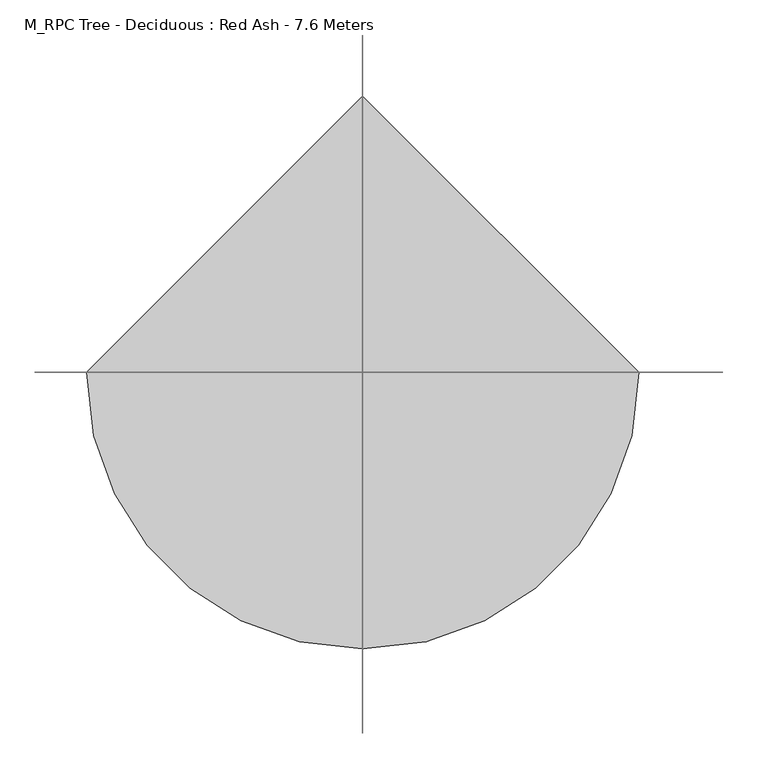
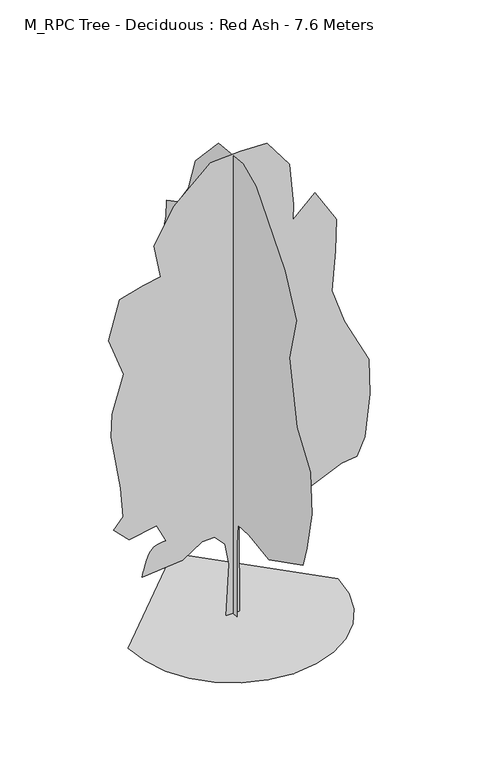
"""IFC4 building model written with IfcOpenShell, lengths in millimetres: geographic element geometry, M_RPC Tree - Deciduous : Red Ash - 7.6 Meters."""

from ifc_helpers import new_model, si_unit, origin, place, context, project, spatial, triangles, source, transform, mapped, element, save


def m_rpc_tree_deciduous_red_ash_7_6_meters_16c8020d(model_context):
    return source(origin(), model_context, "Body", "Tessellation", [
        triangles([(-1640.6350319, 0.0, 6.17e-05), (-1597.2618073, -375.9250554, 6.17e-05), (-1473.7362076, -721.1521299, 6.17e-05), (-1279.9481815, -1025.7899305, 6.17e-05), (-1025.7900759, -1279.9483269, 6.17e-05), (-721.1519119, -1473.7357716, 6.17e-05), (-375.9249101, -1597.2618073, 6.17e-05), (7.17e-05, -1640.6350319, 6.17e-05), (375.9250917, -1597.2619526, 6.17e-05), (721.1521299, -1473.7360622, 6.17e-05), (1025.7900759, -1279.9481815, 6.17e-05), (1279.9486176, -1025.7900759, 6.17e-05), (1473.7359169, -721.1518393, 6.17e-05), (1597.2618073, -375.9248011, 6.17e-05), (1640.6350319, 0.0001434, 6.17e-05), (-0.0002151, 1640.6350319, 6.17e-05), (-1.07e-05, -102.5763152, 0.0), (2.5e-05, -100.9809819, 1191.4187742), (3.22e-05, -129.5410573, 1533.7667004), (7e-07, -437.6736119, 1554.0757805), (-5.76e-05, -973.8285673, 1474.4268631), (-0.0001401, -1898.6961697, 1943.5624718), (-0.0001409, -2005.9272697, 2292.063438), (-0.0001357, -2139.9660358, 2935.4493118), (-0.0001116, -2099.7546822, 3605.6435783), (-5.8e-05, -1735.814106, 4130.1484818), (-5.5e-06, -1523.3897175, 5147.0898972), (-3.5e-06, -1711.0423622, 5870.899205), (4.78e-05, -1402.7536217, 6514.2855148), (0.0001565, -625.3287638, 7439.1534805), (0.000198, -272.4836404, 7598.1990051), (0.0002655, 393.3664327, 7532.9808929), (0.0003113, 1023.3488731, 6862.7869171), (0.0003141, 1211.0034073, 6299.8236053), (0.0003314, 1492.4837551, 5897.706871), (0.0003588, 1800.7742397, 5736.8608749), (0.0003522, 1814.1780727, 5468.7830521), (0.0003514, 1894.6015068, 5160.4937302), (0.0003267, 1760.5627407, 4798.5890762), (0.0003288, 1881.1975285, 4450.088546), (0.000327, 2001.8324615, 3967.5488136), (0.0003203, 1975.0247955, 3833.5096115), (0.0002869, 1747.159053, 3511.8164566), (0.0002722, 1732.7516476, 3069.4885139), (0.0002625, 1720.3510963, 2788.0068581), (0.0002535, 1733.7549294, 2439.5063278), (0.0002406, 1747.159053, 1956.9668861), (0.0002166, 1559.5045189, 1809.523851), (0.0001802, 1211.0038433, 1809.523851), (0.0001822, 1371.8504208, 1313.580431), (0.0001711, 1344.9556961, 1032.1683203), (0.0001512, 1100.1359739, 1224.6137684), (9.84e-05, 627.810589, 1103.8028286), (9.77e-05, 550.2637599, 1353.49907), (6.27e-05, 215.346067, 1350.4488201), (5.01e-05, 130.4579254, 1225.1105404), (3.26e-05, 79.3405423, 816.1354311), (1.17e-05, 111.8716144, 1.28e-05), (-110.5798692, 4.8e-06, 4.45e-05), (-66.5363775, -9.62e-05, 831.3140104), (-128.9679092, -0.0001356, 1184.825572), (-290.0246482, -0.0001497, 1361.7341778), (-482.3670685, -0.0001405, 1355.1302204), (-794.1778324, -0.0001027, 1152.7338535), (-1424.1601639, -6.88e-05, 1099.1184488), (-1415.4458702, -7.33e-05, 1133.7810133), (-1406.1451298, -7.8e-05, 1169.6158899), (-1395.6722225, -8.3e-05, 1207.7952456), (-1383.4407017, -8.85e-05, 1249.4921917), (-1368.8645565, -9.46e-05, 1295.8774418), (-1351.3574856, -0.0001016, 1348.1257061), (-1330.3333328, -0.0001096, 1407.4074074), (-1303.8382931, -0.0001173, 1462.3908245), (-1271.0123898, -0.0001236, 1502.6024689), (-1232.9109364, -0.0001286, 1530.5039635), (-1190.588883, -0.0001326, 1548.5586754), (-1145.1018339, -0.0001358, 1559.2267742), (-1097.5041578, -0.0001386, 1564.971191), (-1048.8515316, -0.0001411, 1568.2539848), (-1196.294058, -0.0001698, 1863.1393284), (-1625.218531, -0.0001415, 1782.7160397), (-1866.4879612, -0.0001597, 2023.9861965), (-1719.0452168, -0.0001869, 2198.236607), (-1759.2568611, -0.0002427, 2680.7764847), (-1906.6994602, -0.0003433, 3578.8359123), (-1893.4979404, -0.0003882, 3950.7687332), (-1715.4032879, -0.0004676, 4551.3483536), (-1946.9112499, -0.0005333, 5187.3013962), (-1772.6605488, -0.0006144, 5803.88004), (-1410.7561855, -0.000643, 5911.1112854), (-1135.4252443, -0.0006608, 5959.6792511), (-1236.5059204, -0.0007209, 6500.8816818), (-928.2163805, -0.0007999, 7050.4411606), (-351.8493811, -0.0008874, 7573.192392), (117.2860368, -0.0009111, 7600.000058), (532.8066133, -0.0009277, 7586.5956436), (881.3074705, -0.000887, 7117.4603256), (945.3842279, -0.0008079, 6430.5952744), (936.1832634, -0.0007775, 6178.7100677), (1283.4236961, -0.0008311, 6500.8816818), (1618.5208294, -0.0007802, 5951.3222031), (1605.1169964, -0.0007177, 5432.2143539), (1545.3907001, -0.0006383, 4788.0519287), (1739.1557625, -0.0005793, 4222.2222221), (2126.1689129, -0.0005054, 3460.0925789), (2138.5076946, -0.0004374, 2885.2169128), (2060.8486267, -0.0003521, 2198.2364616), (1940.213839, -0.0003133, 1916.7548058), (1698.9439728, -0.0002996, 1889.9471397), (1229.8082188, -0.0002535, 1675.4849396), (814.2876514, -0.0002002, 1380.5997414), (256.8007496, -0.0002044, 1620.3048775), (92.8066444, -0.0001762, 1443.8352711), (103.8818677, -4.5e-06, 3.51e-05)], [[15, 16, 1], [14, 15, 1], [14, 1, 2], [13, 14, 2], [13, 2, 3], [13, 3, 4], [12, 13, 4], [11, 12, 4], [11, 4, 5], [11, 5, 6], [11, 6, 7], [11, 7, 8], [11, 8, 9], [11, 9, 10], [50, 51, 52], [57, 58, 17], [57, 17, 18], [56, 57, 18], [56, 18, 19], [55, 56, 19], [49, 50, 52], [52, 53, 54], [49, 52, 54], [35, 36, 37], [46, 47, 48], [46, 48, 49], [21, 22, 23], [20, 21, 23], [20, 23, 24], [20, 24, 25], [20, 25, 26], [19, 20, 26], [19, 26, 27], [45, 46, 49], [31, 32, 33], [30, 31, 33], [29, 30, 33], [29, 33, 34], [28, 29, 34], [27, 28, 34], [19, 27, 34], [19, 34, 35], [19, 35, 37], [19, 37, 38], [19, 38, 39], [19, 39, 40], [19, 40, 41], [19, 41, 42], [19, 42, 43], [19, 43, 44], [19, 44, 45], [19, 45, 49], [19, 49, 54], [55, 19, 54], [64, 65, 66], [64, 66, 67], [64, 67, 68], [99, 100, 101], [64, 68, 69], [64, 69, 70], [64, 70, 71], [114, 59, 60], [113, 114, 60], [113, 60, 61], [113, 61, 62], [64, 71, 72], [64, 72, 73], [64, 73, 74], [64, 74, 75], [64, 75, 76], [64, 76, 77], [64, 77, 78], [64, 78, 79], [63, 64, 79], [81, 82, 83], [80, 81, 83], [99, 101, 102], [107, 108, 109], [110, 111, 112], [88, 89, 90], [87, 88, 90], [87, 90, 91], [80, 83, 84], [95, 96, 97], [95, 97, 98], [94, 95, 98], [93, 94, 98], [92, 93, 98], [91, 92, 98], [91, 98, 99], [87, 91, 99], [87, 99, 102], [87, 102, 103], [87, 103, 104], [86, 87, 104], [85, 86, 104], [84, 85, 104], [80, 84, 104], [80, 104, 105], [80, 105, 106], [80, 106, 107], [80, 107, 109], [80, 109, 110], [80, 110, 112], [79, 80, 112], [63, 79, 112], [62, 63, 112], [113, 62, 112]], closed=False),
    ])


if __name__ == "__main__":
    model = new_model("IFC4")
    model_context = context("Model", 3, world=origin())
    ifc_project = project(units=[si_unit("LENGTHUNIT", "METRE", prefix="MILLI")], contexts=[model_context])
    site = spatial("IfcSite", under=ifc_project)
    building = spatial("IfcBuilding", under=site)
    placement = place(None, origin())
    m_rpc_tree_deciduous_red_ash_7_6_meters_shape = m_rpc_tree_deciduous_red_ash_7_6_meters_16c8020d(model_context)
    element("IfcGeographicElement", 1, ObjectType="M_RPC Tree - Deciduous : Red Ash - 7.6 Meters", at=placement, inside=building, context=model_context, shape_type="MappedRepresentation", body=[
        mapped(m_rpc_tree_deciduous_red_ash_7_6_meters_shape, transform((0.0, 0.0, 0.0), x_axis=(1.0, 0.0, 0.0), y_axis=(0.0, 1.0, 0.0), z_axis=(0.0, 0.0, 1.0))),
    ])
    save(model, "model.ifc")
